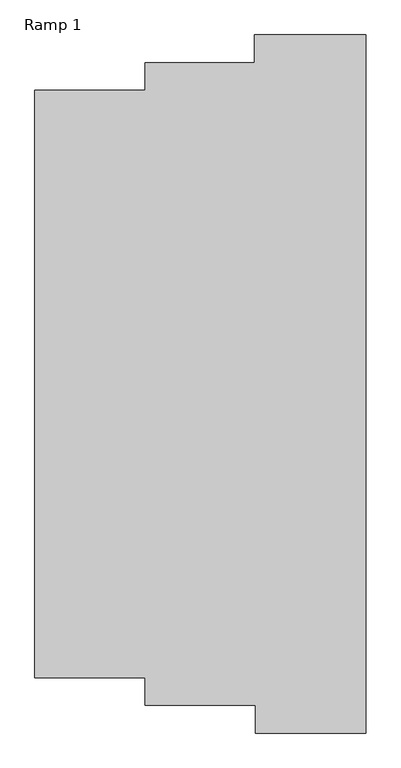
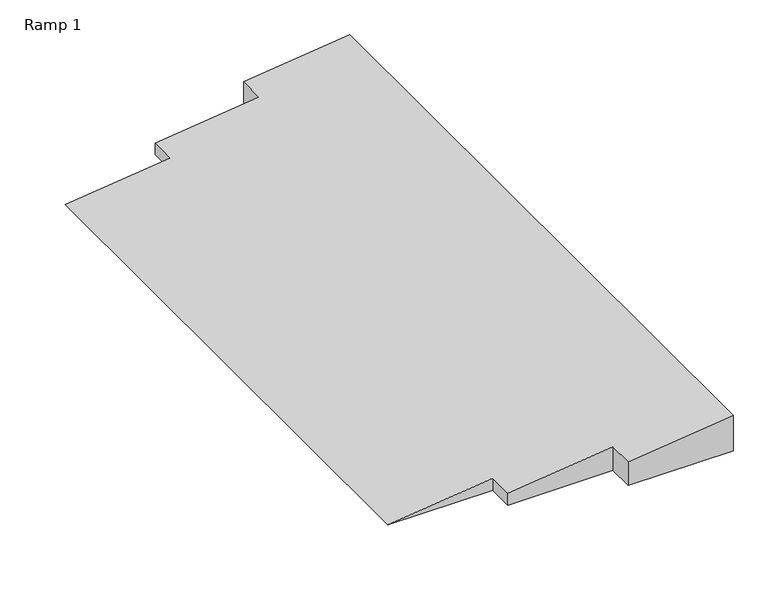
"""IFC4 building model written with IfcOpenShell, lengths in millimetres: ramp geometry, Ramp 1."""

from ifc_helpers import new_model, si_unit, origin, place, context, project, spatial, faceted_brep, source, transform, mapped, element, save


def ramp_1_039c9ce2(model_context):
    return source(origin(), model_context, "Body", "Brep", [
        faceted_brep([(-26381.2507624, 31037.6444432, -150.0), (-27795.0920218, 31037.6444432, -318.3140933), (-27795.0920218, 30687.6459809, -318.3140933), (-29181.2576525, 30687.6459809, -483.3334756), (-29181.2576525, 30337.6475186, -483.3334756), (-30581.2593047, 30337.6475186, -650.0), (-30581.2593047, 22884.6598991, -650.0), (-29181.2593047, 22884.6598991, -483.3336723), (-29181.2593047, 22534.6613617, -483.3336723), (-27781.2525758, 22534.6613617, -316.6665436), (-27781.2525758, 22184.6627574, -316.6665436), (-26381.2507624, 22184.6627574, -150.0), (-26381.2507624, 31037.6444432, -650.0), (-26381.2507624, 22184.6627574, -650.0), (-27781.2525758, 22184.6627574, -650.0), (-27781.2525758, 22534.6613617, -650.0), (-29181.2593047, 22534.6613617, -650.0), (-29181.2593047, 22884.6598991, -650.0), (-29181.2576525, 30337.6475186, -650.0), (-29181.2576525, 30687.6459809, -650.0), (-27795.0920218, 30687.6459809, -650.0), (-27795.0920218, 31037.6444432, -650.0)], [[[0, 1, 2, 3, 4, 5, 6, 7, 8, 9, 10, 11]], [[12, 13, 14, 15, 16, 17, 6, 5, 18, 19, 20, 21]], [[5, 4, 18]], [[7, 6, 17]], [[0, 11, 13, 12]], [[1, 0, 12, 21]], [[2, 1, 21, 20]], [[3, 2, 20, 19]], [[4, 3, 19, 18]], [[8, 7, 17, 16]], [[9, 8, 16, 15]], [[10, 9, 15, 14]], [[11, 10, 14, 13]]]),
    ])


if __name__ == "__main__":
    model = new_model("IFC4")
    model_context = context("Model", 3, world=origin())
    ifc_project = project(units=[si_unit("LENGTHUNIT", "METRE", prefix="MILLI")], contexts=[model_context])
    site = spatial("IfcSite", under=ifc_project)
    building = spatial("IfcBuilding", under=site)
    placement = place(None, origin())
    ramp_1_shape = ramp_1_039c9ce2(model_context)
    element("IfcRamp", 1, ObjectType="Ramp 1", at=placement, inside=building, context=model_context, shape_type="MappedRepresentation", body=[
        mapped(ramp_1_shape, transform((0.0, 0.0, 0.0), x_axis=(1.0, 0.0, 0.0), y_axis=(0.0, 1.0, 0.0), z_axis=(0.0, 0.0, 1.0))),
    ])
    save(model, "model.ifc")
